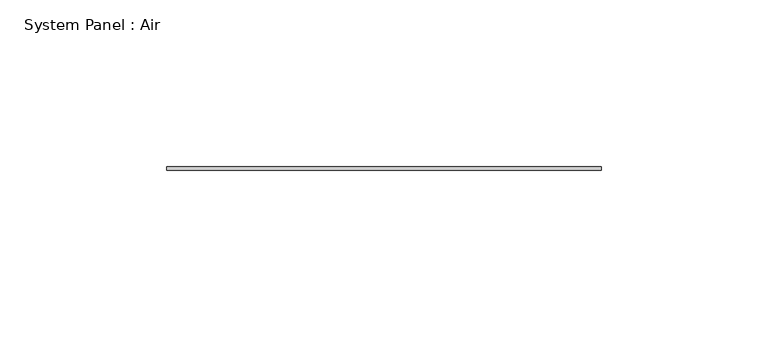
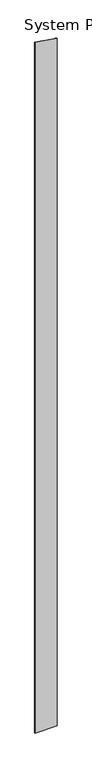
"""IFC4 building model written with IfcOpenShell, lengths in millimetres: plate geometry, System Panel : Air."""

from ifc_helpers import new_model, si_unit, frame, origin, place, context, project, spatial, polyline, outline, extrude, source, transform, mapped, element, save


def system_panel_air_3ed5dc62(model_context):
    return source(origin(), model_context, "Body", "SweptSolid", [
        extrude(outline(polyline([(0.0, -65.0), (0.0, 65.0), (4215.3921316, 65.0), (4234.645065, -65.0), (0.0, -65.0)])), frame((0.0, 36.5, 0.0), z_axis=(0.0, 1.0, 0.0), x_axis=(0.0, 0.0, 1.0)), (0.0, 0.0, 1.0), 1.0),
    ])


if __name__ == "__main__":
    model = new_model("IFC4")
    model_context = context("Model", 3, world=origin())
    ifc_project = project(units=[si_unit("LENGTHUNIT", "METRE", prefix="MILLI")], contexts=[model_context])
    site = spatial("IfcSite", under=ifc_project)
    building = spatial("IfcBuilding", under=site)
    placement = place(None, origin())
    system_panel_air_shape = system_panel_air_3ed5dc62(model_context)
    element("IfcPlate", 1, ObjectType="System Panel : Air", at=placement, inside=building, context=model_context, shape_type="MappedRepresentation", body=[
        mapped(system_panel_air_shape, transform((0.0, 0.0, 0.0), x_axis=(1.0, 0.0, 0.0), y_axis=(0.0, 1.0, 0.0), z_axis=(0.0, 0.0, 1.0))),
    ])
    save(model, "model.ifc")
